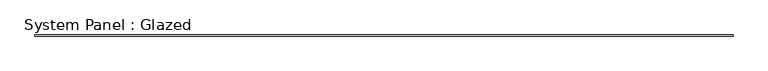
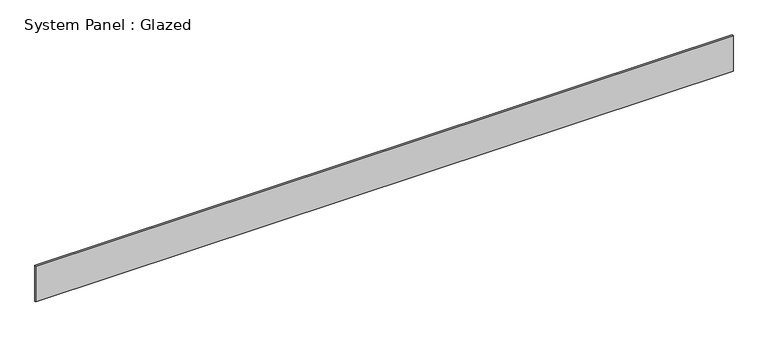
"""IFC4 building model written with IfcOpenShell, lengths in millimetres: plate geometry, System Panel : Glazed."""

import ifcopenshell
import ifcopenshell.guid

model = None  # the IFC model being written
_history = None  # IfcOwnerHistory: only IFC2X3 demands one
_inside = {}  # id of a spatial element -> (the spatial element, [elements in it])
_under = {}  # id of a project, library or spatial element -> (it, [spatial elements below it])
_declared = {}  # id of a project -> (the project, [libraries it declares])
_typed = {}  # id of a type object -> (the type object, [elements of that type])
_made_of = {}  # id of a material, layer set ... -> (it, [elements and type objects made of it])


def new_model(schema):
    """Start an empty IFC model of exactly this schema.

    Asked for "IFC4X3", IfcOpenShell would pick the latest addendum, in which some entities
    have other attributes; the version numbers below select the first issue.
    IFC2X3 requires an IfcOwnerHistory on every rooted entity: one is made here for all.
    """
    global model, _history
    if schema == "IFC4X3":
        model = ifcopenshell.file(schema_version=(4, 3, 0, 0))
    else:
        model = ifcopenshell.file(schema=schema)
    _inside.clear()
    _under.clear()
    _declared.clear()
    _typed.clear()
    _made_of.clear()
    _history = None
    if model.schema == "IFC2X3":
        org = make("IfcOrganization", Name="unknown")
        user = make(
            "IfcPersonAndOrganization",
            ThePerson=make("IfcPerson", FamilyName="unknown"),
            TheOrganization=org,
        )
        app = make(
            "IfcApplication",
            ApplicationDeveloper=org,
            Version="unknown",
            ApplicationFullName="unknown",
            ApplicationIdentifier="unknown",
        )
        _history = make(
            "IfcOwnerHistory",
            OwningUser=user,
            OwningApplication=app,
            ChangeAction="ADDED",
            CreationDate=0,
        )
    return model


def make(cls, **values):
    """One entity of the class cls with the attributes given. An attribute that is None is left unset."""
    return model.create_entity(
        cls, **{name: value for name, value in values.items() if value is not None}
    )


def rooted(cls, **values):
    """An entity with a GlobalId (a new one), such as an element, a storey or a relation."""
    return make(cls, GlobalId=ifcopenshell.guid.new(), OwnerHistory=_history, **values)


def si_unit(unit_type, name, prefix=None):
    """IfcSIUnit, for example si_unit("LENGTHUNIT", "METRE", prefix="MILLI")."""
    return make("IfcSIUnit", UnitType=unit_type, Prefix=prefix, Name=name)


def assignment(units):
    """IfcUnitAssignment: the units of a project."""
    return None if units is None else make("IfcUnitAssignment", Units=units)


def point(xyz):
    """IfcCartesianPoint."""
    return None if xyz is None else make("IfcCartesianPoint", Coordinates=xyz)


def direction(xyz):
    """IfcDirection."""
    return None if xyz is None else make("IfcDirection", DirectionRatios=xyz)


def frame(location, z_axis=None, x_axis=None):
    """IfcAxis2Placement3D, a coordinate frame: its origin and axes. An axis left out is left unset."""
    return make(
        "IfcAxis2Placement3D",
        Location=point(location),
        Axis=direction(z_axis),
        RefDirection=direction(x_axis),
    )


def origin():
    """The frame at (0, 0, 0) with its axes left unset."""
    return frame((0.0, 0.0, 0.0))


def origin_with_axes():
    """The frame at (0, 0, 0) with the z axis (0, 0, 1) and the x axis (1, 0, 0) written out."""
    return frame((0.0, 0.0, 0.0), z_axis=(0.0, 0.0, 1.0), x_axis=(1.0, 0.0, 0.0))


def place(relative_to, where):
    """IfcLocalPlacement: puts the frame where relative to a parent placement (None: the world)."""
    return make(
        "IfcLocalPlacement", PlacementRelTo=relative_to, RelativePlacement=where
    )


def context(
    kind, dimensions, precision=None, world=None, true_north=None, identifier=None
):
    """IfcGeometricRepresentationContext, for example the 3D "Model" context."""
    return make(
        "IfcGeometricRepresentationContext",
        ContextIdentifier=identifier,
        ContextType=kind,
        CoordinateSpaceDimension=dimensions,
        Precision=precision,
        WorldCoordinateSystem=world,
        TrueNorth=true_north,
    )


def project(units=None, contexts=None):
    """IfcProject with its units and contexts."""
    return rooted(
        "IfcProject",
        Name="project",
        RepresentationContexts=contexts,
        UnitsInContext=assignment(units),
    )


def spatial(cls, under=None, at=None, **own):
    """A site, building, storey or space (cls), placed at a placement, below another one or the project."""
    s = rooted(cls, ObjectPlacement=at, **own)
    if under is not None:
        _under.setdefault(under.id(), (under, []))[1].append(s)
    return s


def polyline(points):
    """IfcPolyline through the points."""
    return make("IfcPolyline", Points=[point(p) for p in points])


def outline(outer, holes=None, kind="AREA"):
    """IfcArbitraryClosedProfileDef: a profile drawn as a closed curve; with holes, ...WithVoids."""
    if holes is None:
        return make("IfcArbitraryClosedProfileDef", ProfileType=kind, OuterCurve=outer)
    return make(
        "IfcArbitraryProfileDefWithVoids",
        ProfileType=kind,
        OuterCurve=outer,
        InnerCurves=holes,
    )


def extrude(swept, where, along, depth):
    """IfcExtrudedAreaSolid: the profile swept, set in the frame where, extruded along a direction by depth."""
    return make(
        "IfcExtrudedAreaSolid",
        SweptArea=swept,
        Position=where,
        ExtrudedDirection=direction(along),
        Depth=depth,
    )


def shape(context_of_items, identifier, shape_type, items):
    """IfcShapeRepresentation: the items that make up one representation, for example the "Body"."""
    return make(
        "IfcShapeRepresentation",
        ContextOfItems=context_of_items,
        RepresentationIdentifier=identifier,
        RepresentationType=shape_type,
        Items=items,
    )


def source(mapping_origin, context_of_items, identifier, shape_type, items):
    """IfcRepresentationMap: a shape defined once, which mapped items show again and again."""
    return make(
        "IfcRepresentationMap",
        MappingOrigin=mapping_origin,
        MappedRepresentation=shape(context_of_items, identifier, shape_type, items),
    )


def transform(
    local_origin,
    x_axis=None,
    y_axis=None,
    z_axis=None,
    scale=None,
    scale2=None,
    scale3=None,
    uniform=True,
):
    """IfcCartesianTransformationOperator3D, or its non-uniform kind. x_axis, y_axis, z_axis: its Axis1, 2, 3."""
    if uniform:
        return make(
            "IfcCartesianTransformationOperator3D",
            Axis1=direction(x_axis),
            Axis2=direction(y_axis),
            LocalOrigin=point(local_origin),
            Scale=scale,
            Axis3=direction(z_axis),
        )
    return make(
        "IfcCartesianTransformationOperator3DnonUniform",
        Axis1=direction(x_axis),
        Axis2=direction(y_axis),
        LocalOrigin=point(local_origin),
        Scale=scale,
        Axis3=direction(z_axis),
        Scale2=scale2,
        Scale3=scale3,
    )


def mapped(mapping_source, mapping_target):
    """IfcMappedItem: shows the shape of a source again, moved by a transform."""
    return make(
        "IfcMappedItem", MappingSource=mapping_source, MappingTarget=mapping_target
    )


def made_of(thing, what):
    """Note that an element or type object is made of a material, layer set ...; save() writes the relation."""
    if what is not None:
        _made_of.setdefault(what.id(), (what, []))[1].append(thing)
    return thing


def element(
    cls,
    number,
    at=None,
    inside=None,
    cuts=None,
    type_object=None,
    material=None,
    context=None,
    identifier="Body",
    shape_type=None,
    held_by="IfcProductDefinitionShape",
    body=None,
    shapes=None,
    **own,
):
    """One element of the class cls, such as IfcWall. Its Tag is "e" and its number.

    at: its placement. inside: the storey or other place that contains it. cuts: it is an
    opening in that element (IfcRelVoidsElement). A single representation is given by context,
    identifier, shape_type and body (its items); several are given by shapes. held_by: the class
    of the entity that holds the representations. save() writes the other relations.
    """
    e = rooted(cls, Tag="e%d" % number, ObjectPlacement=at, **own)
    if body is not None:
        shapes = [shape(context, identifier, shape_type, body)]
    if shapes is not None:
        e.Representation = make(held_by, Representations=shapes)
    if inside is not None:
        _inside.setdefault(inside.id(), (inside, []))[1].append(e)
    if cuts is not None:
        rooted(
            "IfcRelVoidsElement", RelatingBuildingElement=cuts, RelatedOpeningElement=e
        )
    if type_object is not None:
        _typed.setdefault(type_object.id(), (type_object, []))[1].append(e)
    return made_of(e, material)


def aggregate(whole, parts):
    """IfcRelAggregates: a whole, such as a stair, and the parts it consists of."""
    return rooted("IfcRelAggregates", RelatingObject=whole, RelatedObjects=parts)


def save(model, path):
    """Write the relations noted so far, then the file.

    IfcRelAggregates (storeys below a building ...), IfcRelContainedInSpatialStructure (elements
    in a storey), IfcRelDefinesByType, IfcRelAssociatesMaterial and IfcRelDeclares: one each for
    every whole, place, type object, material and project.
    """
    for whole, parts in _under.values():
        aggregate(whole, parts)
    for where, things in _inside.values():
        rooted(
            "IfcRelContainedInSpatialStructure",
            RelatedElements=things,
            RelatingStructure=where,
        )
    for kind, things in _typed.values():
        rooted("IfcRelDefinesByType", RelatedObjects=things, RelatingType=kind)
    for what, things in _made_of.values():
        rooted("IfcRelAssociatesMaterial", RelatedObjects=things, RelatingMaterial=what)
    for by, libraries in _declared.values():
        rooted("IfcRelDeclares", RelatingContext=by, RelatedDefinitions=libraries)
    model.write(path)


def system_panel_glazed_a3ae7d16(model_context):
    return source(origin(), model_context, "Body", "SweptSolid", [
        extrude(outline(polyline([(7924.8, 19.05), (-7924.8, 19.05), (-7924.8, 44.45), (7924.8, 44.45), (7924.8, 19.05)])), origin_with_axes(), (0.0, 0.0, 1.0), 863.6),
    ])


if __name__ == "__main__":
    model = new_model("IFC4")
    model_context = context("Model", 3, world=origin())
    ifc_project = project(units=[si_unit("LENGTHUNIT", "METRE", prefix="MILLI")], contexts=[model_context])
    site = spatial("IfcSite", under=ifc_project)
    building = spatial("IfcBuilding", under=site)
    placement = place(None, origin())
    system_panel_glazed_shape = system_panel_glazed_a3ae7d16(model_context)
    element("IfcPlate", 1, ObjectType="System Panel : Glazed", at=placement, inside=building, context=model_context, shape_type="MappedRepresentation", body=[
        mapped(system_panel_glazed_shape, transform((0.0, 0.0, 0.0), x_axis=(1.0, 0.0, 0.0), y_axis=(0.0, 1.0, 0.0), z_axis=(0.0, 0.0, 1.0))),
    ])
    save(model, "model.ifc")
